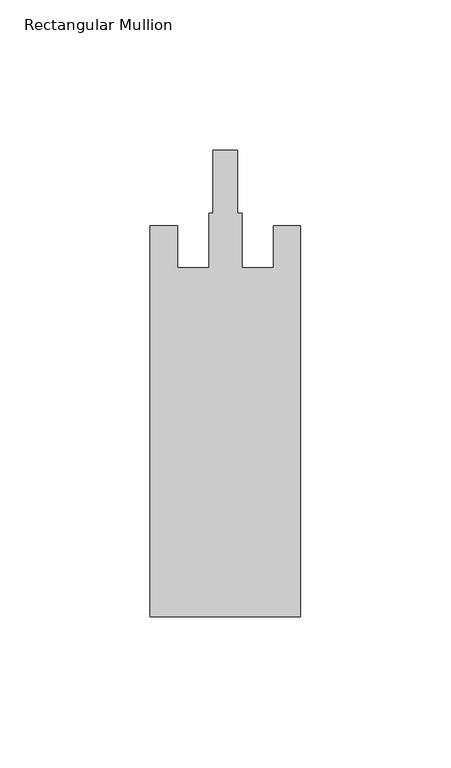
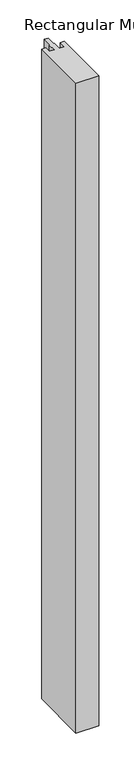
"""IFC4 building model written with IfcOpenShell, lengths in millimetres: member geometry, Rectangular Mullion."""

from ifc_helpers import new_model, si_unit, frame, origin, place, context, project, spatial, polyline, outline, extrude, source, transform, mapped, element, save


def rectangular_mullion_d602a758(model_context):
    return source(origin(), model_context, "Body", "SweptSolid", [
        extrude(outline(polyline([(0.0, -162.0), (-50.0, -162.0), (-50.0, -32.0), (-41.0, -32.0), (-41.0, -46.0), (-30.5, -46.0), (-30.5, -27.8), (-29.1, -27.8), (-29.1, -7.0), (-20.9, -7.0), (-20.9, -27.8), (-19.5, -27.8), (-19.5, -46.0), (-9.0, -46.0), (-9.0, -32.0), (0.0, -32.0), (0.0, -162.0)])), frame((0.0, 0.0, -1500.0), z_axis=(0.0, 0.0, 1.0), x_axis=(1.0, 0.0, 0.0)), (0.0, 0.0, 1.0), 1500.0),
    ])


if __name__ == "__main__":
    model = new_model("IFC4")
    model_context = context("Model", 3, world=origin())
    ifc_project = project(units=[si_unit("LENGTHUNIT", "METRE", prefix="MILLI")], contexts=[model_context])
    site = spatial("IfcSite", under=ifc_project)
    building = spatial("IfcBuilding", under=site)
    placement = place(None, origin())
    rectangular_mullion_shape = rectangular_mullion_d602a758(model_context)
    element("IfcMember", 1, ObjectType="Rectangular Mullion", at=placement, inside=building, context=model_context, shape_type="MappedRepresentation", body=[
        mapped(rectangular_mullion_shape, transform((0.0, 0.0, 0.0), x_axis=(1.0, 0.0, 0.0), y_axis=(0.0, 1.0, 0.0), z_axis=(0.0, 0.0, 1.0))),
    ])
    save(model, "model.ifc")
